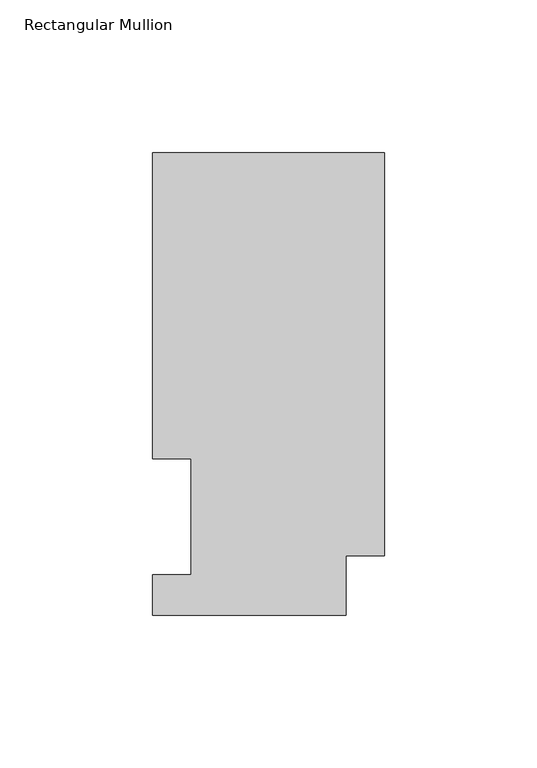
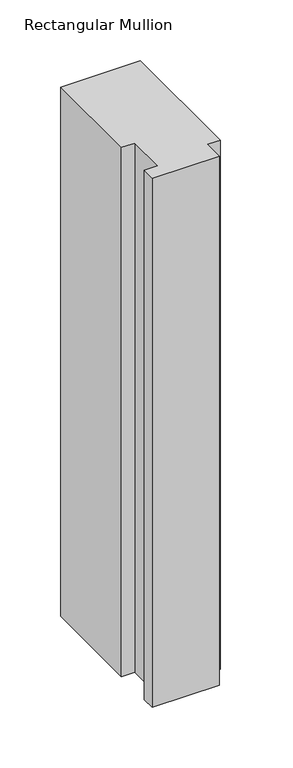
"""IFC4 building model written with IfcOpenShell, lengths in millimetres: member geometry, Rectangular Mullion."""

from ifc_helpers import new_model, si_unit, frame, origin, place, context, project, spatial, polyline, outline, extrude, source, transform, mapped, element, save


def rectangular_mullion_34c4768a(model_context):
    return source(origin(), model_context, "Body", "SweptSolid", [
        extrude(outline(polyline([(-76.2, 51.2960938), (-76.2, 151.7022937), (0.0, 151.7022937), (0.0, 19.5455957), (-12.7, 19.5455957), (-12.7, 0.0134937), (-76.2, 0.0134937), (-76.2, 13.1960937), (-63.5, 13.1960937), (-63.5, 51.2960938), (-76.2, 51.2960938)])), frame((0.0, 0.0, -533.4134938), z_axis=(0.0, 0.0, 1.0), x_axis=(1.0, 0.0, 0.0)), (0.0, 0.0, 1.0), 533.4134938),
    ])


if __name__ == "__main__":
    model = new_model("IFC4")
    model_context = context("Model", 3, world=origin())
    ifc_project = project(units=[si_unit("LENGTHUNIT", "METRE", prefix="MILLI")], contexts=[model_context])
    site = spatial("IfcSite", under=ifc_project)
    building = spatial("IfcBuilding", under=site)
    placement = place(None, origin())
    rectangular_mullion_shape = rectangular_mullion_34c4768a(model_context)
    element("IfcMember", 1, ObjectType="Rectangular Mullion", at=placement, inside=building, context=model_context, shape_type="MappedRepresentation", body=[
        mapped(rectangular_mullion_shape, transform((0.0, 0.0, 0.0), x_axis=(1.0, 0.0, 0.0), y_axis=(0.0, 1.0, 0.0), z_axis=(0.0, 0.0, 1.0))),
    ])
    save(model, "model.ifc")
